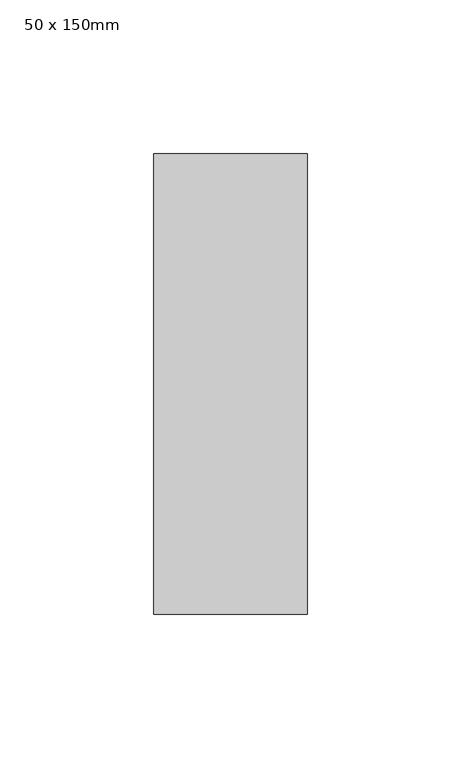
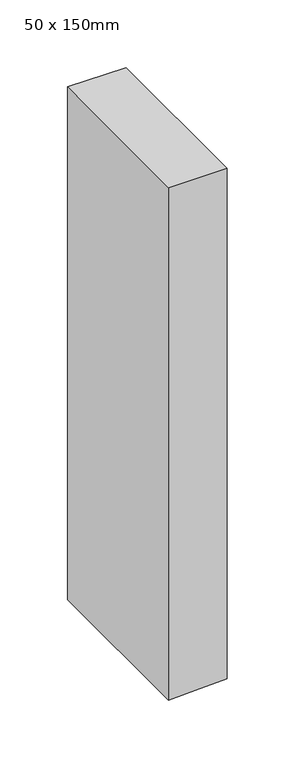
"""IFC4 building model written with IfcOpenShell, lengths in millimetres: member geometry, 50 x 150mm."""

from ifc_helpers import new_model, si_unit, frame, origin, place, context, project, spatial, polyline, outline, extrude, source, transform, mapped, element, save


def member_50_x_150mm_82030259(model_context):
    return source(origin(), model_context, "Body", "SweptSolid", [
        extrude(outline(polyline([(0.0, 25.0), (0.0, -25.0), (-463.2414744, -25.0), (-462.2640175, -2.1355534), (-461.1039704, 25.0), (0.0, 25.0)])), frame((0.0, -75.0, 0.0), z_axis=(0.0, 1.0, 0.0), x_axis=(0.0, 0.0, 1.0)), (0.0, 0.0, 1.0), 150.0),
    ])


if __name__ == "__main__":
    model = new_model("IFC4")
    model_context = context("Model", 3, world=origin())
    ifc_project = project(units=[si_unit("LENGTHUNIT", "METRE", prefix="MILLI")], contexts=[model_context])
    site = spatial("IfcSite", under=ifc_project)
    building = spatial("IfcBuilding", under=site)
    placement = place(None, origin())
    member_50_x_150mm_shape = member_50_x_150mm_82030259(model_context)
    element("IfcMember", 1, ObjectType="50 x 150mm", at=placement, inside=building, context=model_context, shape_type="MappedRepresentation", body=[
        mapped(member_50_x_150mm_shape, transform((0.0, 0.0, 0.0), x_axis=(1.0, 0.0, 0.0), y_axis=(0.0, 1.0, 0.0), z_axis=(0.0, 0.0, 1.0))),
    ])
    save(model, "model.ifc")
